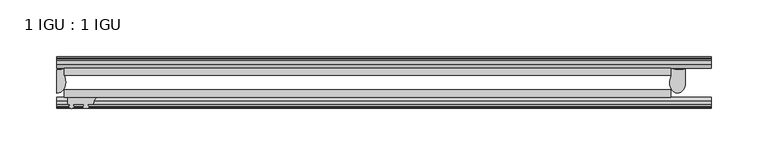
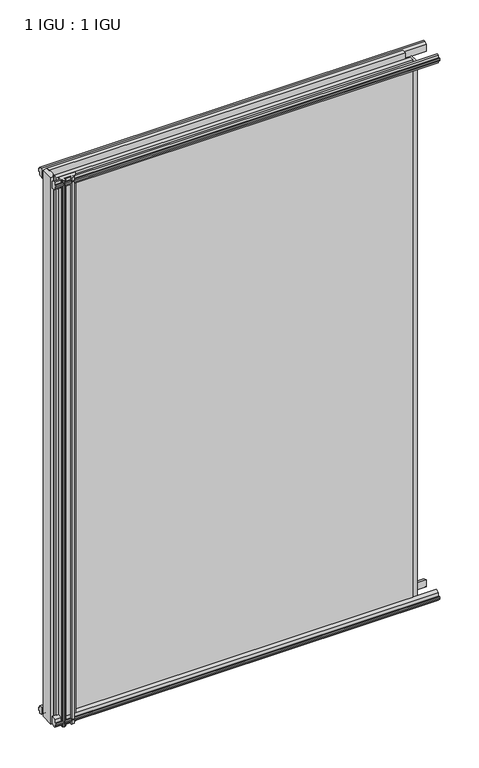
"""IFC4 building model written with IfcOpenShell, lengths in millimetres: plate geometry, 1 IGU : 1 IGU."""

from ifc_helpers import new_model, si_unit, point, frame, frame_2d, origin, place, context, project, spatial, polyline, circle_curve, ellipse_curve, trimmed, segment, composite_curve, outline, extrude, source, transform, mapped, element, save
from ifc_brep_helpers import plane_surface, cylinder_surface, revolved_surface, extruded_surface, advanced_brep


def plate_1_igu_1_igu_a6e6bddb(model_context):
    return source(origin(), model_context, "Body", "SolidModel", [
        extrude(outline(polyline([(-314.3261907, -38.6468937), (218.0840032, -38.6468937), (218.0840032, -44.9460938), (-314.3261907, -44.9460938), (-314.3261907, -38.6468937)])), frame((0.0, 0.0, -12.7), z_axis=(0.0, 0.0, 1.0), x_axis=(1.0, 0.0, 0.0)), (0.0, 0.0, 1.0), 863.5999996),
        extrude(outline(polyline([(-314.3261907, -19.5460937), (218.0840032, -19.5460937), (218.0840032, -25.8960938), (-314.3261907, -25.8960938), (-314.3261907, -19.5460937)])), frame((0.0, 0.0, -12.7), z_axis=(0.0, 0.0, 1.0), x_axis=(1.0, 0.0, 0.0)), (0.0, 0.0, 1.0), 863.5999996),
        advanced_brep(
        [(230.8149887, -20.0381352, 838.1999996), (218.1149887, -19.5460938, 838.1999996), (218.1149887, -25.8960938, 838.1999996), (217.2629308, -29.4671887, 838.1999996), (230.8149887, -32.2460938, 838.1999996), (230.8149887, -20.0381352, -12.4587), (230.8149887, -32.2460938, -12.4587), (217.266167, -29.4679608, -12.4587), (218.1149887, -25.8960938, -12.4587), (218.1149887, -19.5460938, -12.4587)],
        [
            (0, 1, circle_curve(frame((225.0982619, -3.4468047, 838.1999996), z_axis=(0.0, 0.0, -1.0), x_axis=(0.0, 1.0, 0.0)), 17.5485957)),
            (1, 2),
            (2, 3),
            (3, 4, ellipse_curve(frame((223.8788201, -32.2460938, 838.1999996), z_axis=(0.0, 0.0, 1.0), x_axis=(0.0, -1.0, 0.0)), 9.2039536, 6.9361686)),
            (4, 0),
            (5, 6),
            (6, 7, ellipse_curve(frame((223.8788201, -32.2460938, -12.4587), z_axis=(0.0, 0.0, -1.0), x_axis=(0.0, -1.0, 0.0)), 9.2039536, 6.9361686)),
            (7, 8),
            (8, 9),
            (9, 5, circle_curve(frame((225.0982619, -3.4468047, -12.4587), z_axis=(0.0, 0.0, 1.0), x_axis=(0.0, 1.0, 0.0)), 17.5485957)),
            (0, 5),
            (9, 1),
            (8, 2),
            (7, 3),
            (6, 4),
        ],
        [
            plane_surface(frame((253.2074407, -13.1960938, 838.1999996), z_axis=(0.0, 0.0, 1.0), x_axis=(0.0, 1.0, 0.0))),
            plane_surface(frame((253.2074407, -13.1960938, -12.4587), z_axis=(0.0, 0.0, -1.0), x_axis=(0.0, 1.0, 0.0))),
            revolved_surface(polyline([(225.0982619, 14.101791, -12.458700000000022), (225.0982619, 14.101791, 838.1999996)]), (225.0982619, -3.4468047, 838.1999996), (0.0, 0.0, -1.0)),
            plane_surface(frame((218.1149887, -19.5460938, 838.1999996), z_axis=(-1.0, 0.0, 0.0), x_axis=(0.0, 0.0, -1.0))),
            plane_surface(frame((218.1149887, -25.8960938, 838.1999996), z_axis=(-0.972695803429064, 0.23208376503212744, 0.0), x_axis=(0.0, 0.0, -1.0))),
            extruded_surface(trimmed(ellipse_curve(frame((223.8788201, -32.2460938, -12.4587), z_axis=(0.0, 0.0, 1.0), x_axis=(0.0, -1.0, 0.0)), 9.2039536, 6.9361686), [point((217.266167, -29.4679608, -12.4587))], [point((230.8149887, -32.2460938, -12.4587))], True, "CARTESIAN"), (0.0, 0.0, 850.6586996), 850.6586996),
            plane_surface(frame((230.8149887, -32.2460938, 838.1999996), z_axis=(1.0, 0.0, 0.0), x_axis=(0.0, 0.0, -1.0))),
        ],
        [
            (0, [[1, 2, 3, 4, 5]]),
            (1, [[6, 7, 8, 9, 10]]),
            (2, [[-1, 11, -10, 12]]),
            (3, [[-2, -12, -9, 13]]),
            (4, [[-3, -13, -8, 14]]),
            (5, [[-4, -14, -7, 15]]),
            (6, [[-5, -15, -6, -11]]),
        ],
    ),
        advanced_brep(
        [(-320.6761907, -21.1706006, -12.7), (-314.3275788, -19.5461438, -12.7), (-314.3275788, -25.8549351, -12.7), (-313.1522276, -32.21431, -12.7), (-320.6761907, -41.5384043, -12.7), (-320.6761907, -21.1706006, 850.8999996), (-320.6761907, -41.5384043, 850.8999996), (-313.1522276, -32.21431, 850.8999996), (-314.3275788, -25.8549351, 850.8999996), (-314.3275788, -19.5461438, 850.8999996)],
        [
            (0, 1, circle_curve(frame((-320.6767601, -7.9505008, -12.7), z_axis=(0.0, 0.0, 1.0), x_axis=(1.0, 0.0, 0.0)), 13.2200998)),
            (1, 2),
            (2, 3, circle_curve(frame((-331.2145919, -32.2643264, -12.7), z_axis=(0.0, 0.0, -1.0), x_axis=(1.0, 0.0, 0.0)), 18.0624336)),
            (3, 4, ellipse_curve(frame((-320.6753578, -32.2460921, -12.7), z_axis=(0.0, 0.0, -1.0), x_axis=(0.0, -1.0, 0.0)), 9.2923123, 7.5231742)),
            (4, 0),
            (5, 6),
            (6, 7, ellipse_curve(frame((-320.6753578, -32.2460921, 850.8999996), z_axis=(0.0, 0.0, 1.0), x_axis=(0.0, -1.0, 0.0)), 9.2923123, 7.5231742)),
            (7, 8, circle_curve(frame((-331.2145919, -32.2643264, 850.8999996), z_axis=(0.0, 0.0, 1.0), x_axis=(1.0, 0.0, 0.0)), 18.0624336)),
            (8, 9),
            (9, 5, circle_curve(frame((-320.6767601, -7.9505008, 850.8999996), z_axis=(0.0, 0.0, -1.0), x_axis=(1.0, 0.0, 0.0)), 13.2200998)),
            (0, 5),
            (9, 1),
            (8, 2),
            (7, 3),
            (6, 4),
        ],
        [
            plane_surface(frame((-320.6761907, -13.1960937, -12.7), z_axis=(0.0, 0.0, -1.0), x_axis=(0.0, 1.0, 0.0))),
            plane_surface(frame((-320.6761907, -13.1960937, 850.8999996), z_axis=(0.0, 0.0, 1.0), x_axis=(0.0, 1.0, 0.0))),
            revolved_surface(polyline([(-307.4566603, -7.9505008, 850.8999996), (-307.4566603, -7.9505008, -12.7)]), (-320.6767601, -7.9505008, -12.7), (0.0, 0.0, 1.0)),
            plane_surface(frame((-314.3275788, -19.5461438, -12.7), z_axis=(1.0, 0.0, 0.0), x_axis=(0.0, 0.0, 1.0))),
            cylinder_surface(frame((-331.2145919, -32.2643264, -12.7), z_axis=(0.0, 0.0, -1.0), x_axis=(1.0, 0.0, 0.0)), 18.0624336),
            extruded_surface(trimmed(ellipse_curve(frame((-320.6753578, -32.2460921, 850.8999996), z_axis=(0.0, 0.0, -1.0), x_axis=(0.0, -1.0, 0.0)), 9.2923123, 7.5231742), [point((-313.1522276, -32.21431, 850.8999996))], [point((-320.6761907, -41.5384043, 850.8999996))], True, "CARTESIAN"), (0.0, 0.0, -863.5999996), 863.5999996),
            plane_surface(frame((-320.6761907, -41.5384043, -12.7), z_axis=(-1.0, 0.0, 0.0), x_axis=(0.0, 0.0, 1.0))),
        ],
        [
            (0, [[1, 2, 3, 4, 5]]),
            (1, [[6, 7, 8, 9, 10]]),
            (2, [[-1, 11, -10, 12]]),
            (3, [[-2, -12, -9, 13]]),
            (4, [[-3, -13, -8, 14]]),
            (5, [[-4, -14, -7, 15]]),
            (6, [[-5, -15, -6, -11]]),
        ],
    ),
        extrude(outline(polyline([(-44.9460937, 1.7177181), (-44.9460937, -9.1036578), (-48.3496937, -11.938), (-51.2960937, -11.938), (-51.2960937, -7.493), (-53.6762907, -7.112), (-53.2163575, -8.5275291), (-54.0175717, -8.5275291), (-54.7250937, -6.35), (-54.0175717, -4.1724709), (-53.2163575, -4.1724709), (-53.6762907, -5.588), (-51.2960937, -5.207), (-51.2960937, 0.0), (-44.9460937, 1.7177181)])), frame((-320.6761907, 0.0, 0.0), z_axis=(1.0, 0.0, 0.0), x_axis=(0.0, 1.0, 0.0)), (0.0, 0.0, 1.0), 573.8836314),
        extrude(outline(polyline([(-13.1960937, -12.4587), (-16.1424937, -12.4587), (-19.5460937, -9.6243578), (-19.5460937, 1.1970181), (-13.1960937, -0.5207), (-13.1960937, -5.7277), (-10.8158968, -6.1087), (-11.27583, -4.6931709), (-10.4746158, -4.6931709), (-9.7670937, -6.8707), (-10.4746158, -9.0482291), (-11.27583, -9.0482291), (-10.8158968, -7.6327), (-13.1960937, -8.0137), (-13.1960937, -12.4587)])), frame((-320.6761907, 0.0, 0.0), z_axis=(1.0, 0.0, 0.0), x_axis=(0.0, 1.0, 0.0)), (0.0, 0.0, 1.0), 573.8836314),
        extrude(outline(polyline([(-51.2960937, 850.1379996), (-48.3496937, 850.1379996), (-44.9460937, 847.3036575), (-44.9460937, 836.4822816), (-51.2960937, 838.1999996), (-51.2960937, 843.4069996), (-53.6762907, 843.7879996), (-53.2163575, 842.3724706), (-54.0175717, 842.3724706), (-54.7250937, 844.5499996), (-54.0175717, 846.7275287), (-53.2163575, 846.7275287), (-53.6762907, 845.3119996), (-51.2960937, 845.6929996), (-51.2960937, 850.1379996)])), frame((-320.6761907, 0.0, 0.0), z_axis=(1.0, 0.0, 0.0), x_axis=(0.0, 1.0, 0.0)), (0.0, 0.0, 1.0), 573.8836314),
        extrude(outline(polyline([(-19.5460937, 837.0029816), (-19.5460937, 847.8243575), (-16.1424937, 850.6586996), (-13.1960937, 850.6586996), (-13.1960937, 846.2136996), (-10.8158968, 845.8326996), (-11.27583, 847.2482287), (-10.4746158, 847.2482287), (-9.7670937, 845.0706996), (-10.4746158, 842.8931706), (-11.27583, 842.8931706), (-10.8158968, 844.3086996), (-13.1960937, 843.9276996), (-13.1960937, 838.7206996), (-19.5460937, 837.0029816)])), frame((-320.6761907, 0.0, 0.0), z_axis=(1.0, 0.0, 0.0), x_axis=(0.0, 1.0, 0.0)), (0.0, 0.0, 1.0), 573.8836314),
        extrude(outline(composite_curve([segment(trimmed(circle_curve(frame_2d((-279.9102594, -51.9750196)), 9.0414579), [point((-285.5972763, -44.9460938))], [point((-288.9261909, -51.2960938))], True, "CARTESIAN"), True, "CONTINUOUS"), segment(polyline([(-288.9261909, -51.2960938), (-293.1679909, -51.2960938)]), True, "CONTINUOUS"), segment(trimmed(circle_curve(frame_2d((-293.1679909, -51.7532938)), 0.4572), [point((-293.1679909, -51.2960938))], [point((-293.5068087, -52.0602698))], True, "CARTESIAN"), True, "CONTINUOUS"), segment(trimmed(circle_curve(frame_2d((-295.2761909, -53.663367)), 2.3876), [point((-293.5068087, -52.0602698))], [point((-293.2055479, -54.8520938))], False, "CARTESIAN"), True, "CONTINUOUS"), segment(polyline([(-293.2055479, -54.8520938), (-297.3468339, -54.8520938)]), True, "CONTINUOUS"), segment(trimmed(circle_curve(frame_2d((-295.2761909, -53.663367)), 2.3876), [point((-297.3468339, -54.8520938))], [point((-297.045573, -52.0602698))], False, "CARTESIAN"), True, "CONTINUOUS"), segment(trimmed(circle_curve(frame_2d((-297.3843909, -51.7532938)), 0.4572), [point((-297.045573, -52.0602698))], [point((-297.3843909, -51.2960938))], True, "CARTESIAN"), True, "CONTINUOUS"), segment(polyline([(-297.3843909, -51.2960938), (-306.4521909, -51.2960938), (-306.4521909, -52.9470938), (-305.3745601, -52.9470938)]), True, "CONTINUOUS"), segment(trimmed(circle_curve(frame_2d((-306.4521909, -52.9470938)), 1.0776307), [point((-305.3745601, -52.9470938))], [point((-305.6901909, -53.7090938))], False, "CARTESIAN"), True, "CONTINUOUS"), segment(polyline([(-305.6901909, -53.7090938), (-307.4294833, -54.8194621)]), True, "CONTINUOUS"), segment(trimmed(circle_curve(frame_2d((-307.9761909, -53.9630938)), 1.016), [point((-307.4294833, -54.8194621))], [point((-308.5228985, -54.8194621))], False, "CARTESIAN"), True, "CONTINUOUS"), segment(polyline([(-308.5228985, -54.8194621), (-310.2621909, -53.7090938)]), True, "CONTINUOUS"), segment(trimmed(circle_curve(frame_2d((-309.5001909, -52.9470938)), 1.0776307), [point((-310.2621909, -53.7090938))], [point((-310.5778216, -52.9470938))], False, "CARTESIAN"), True, "CONTINUOUS"), segment(polyline([(-310.5778216, -52.9470938), (-309.5001909, -52.9470938), (-309.5001909, -51.2960938), (-311.1511909, -51.2960938), (-311.1511909, -44.9460938), (-285.5972763, -44.9460938)]), True, "CONTINUOUS")], self_intersect=False)), frame((0.0, 0.0, -12.7), z_axis=(0.0, 0.0, 1.0), x_axis=(1.0, 0.0, 0.0)), (0.0, 0.0, 1.0), 863.5999998),
    ])


if __name__ == "__main__":
    model = new_model("IFC4")
    model_context = context("Model", 3, world=origin())
    ifc_project = project(units=[si_unit("LENGTHUNIT", "METRE", prefix="MILLI")], contexts=[model_context])
    site = spatial("IfcSite", under=ifc_project)
    building = spatial("IfcBuilding", under=site)
    placement = place(None, origin())
    plate_1_igu_1_igu_shape = plate_1_igu_1_igu_a6e6bddb(model_context)
    element("IfcPlate", 1, ObjectType="1 IGU : 1 IGU", at=placement, inside=building, context=model_context, shape_type="MappedRepresentation", body=[
        mapped(plate_1_igu_1_igu_shape, transform((0.0, 0.0, 0.0), x_axis=(1.0, 0.0, 0.0), y_axis=(0.0, 1.0, 0.0), z_axis=(0.0, 0.0, 1.0))),
    ])
    save(model, "model.ifc")
